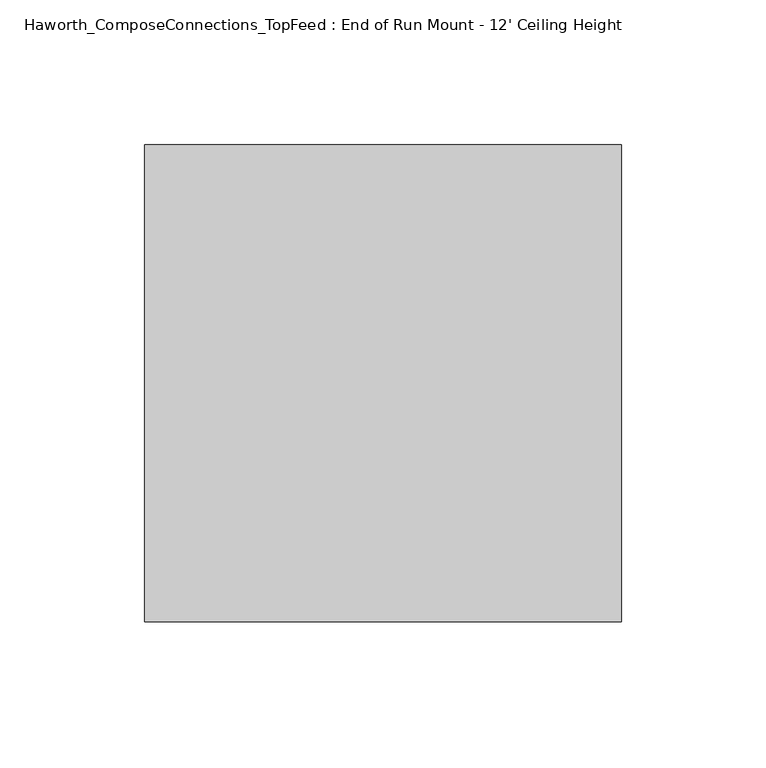
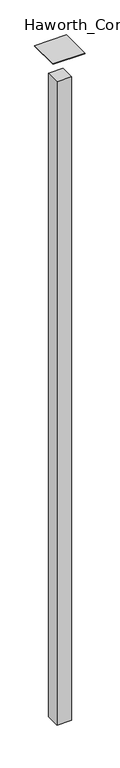
"""IFC4 building model written with IfcOpenShell, lengths in millimetres: furniture geometry, Haworth_ComposeConnections_TopFeed : End of Run Mount - 12' Ceiling Height."""

from ifc_helpers import new_model, si_unit, frame, origin, place, context, project, spatial, polyline, outline, extrude, source, transform, mapped, element, save


def haworth_composeconnections_topfeed_end_of_run_mount_12_da46c6a3(model_context):
    return source(origin(), model_context, "Body", "SweptSolid", [
        extrude(outline(polyline([(-44.45, 82.55), (120.65, 82.55), (120.65, -82.55), (-44.45, -82.55), (-44.45, 82.55)])), frame((0.0, 0.0, 3654.425), z_axis=(0.0, 0.0, 1.0), x_axis=(1.0, 0.0, 0.0)), (0.0, 0.0, 1.0), 3.175),
        extrude(outline(polyline([(76.2, 38.1), (76.2, -38.1), (0.0, -38.1), (0.0, 38.1), (76.2, 38.1)])), frame((0.0, 0.0, 12.7), z_axis=(0.0, 0.0, 1.0), x_axis=(1.0, 0.0, 0.0)), (0.0, 0.0, 1.0), 3505.2),
    ])


if __name__ == "__main__":
    model = new_model("IFC4")
    model_context = context("Model", 3, world=origin())
    ifc_project = project(units=[si_unit("LENGTHUNIT", "METRE", prefix="MILLI")], contexts=[model_context])
    site = spatial("IfcSite", under=ifc_project)
    building = spatial("IfcBuilding", under=site)
    placement = place(None, origin())
    haworth_composeconnections_topfeed_end_of_run_mount_12_shape = haworth_composeconnections_topfeed_end_of_run_mount_12_da46c6a3(model_context)
    element("IfcFurniture", 1, ObjectType="Haworth_ComposeConnections_TopFeed : End of Run Mount - 12' Ceiling Height", at=placement, inside=building, context=model_context, shape_type="MappedRepresentation", body=[
        mapped(haworth_composeconnections_topfeed_end_of_run_mount_12_shape, transform((0.0, 0.0, 0.0), x_axis=(1.0, 0.0, 0.0), y_axis=(0.0, 1.0, 0.0), z_axis=(0.0, 0.0, 1.0))),
    ])
    save(model, "model.ifc")
